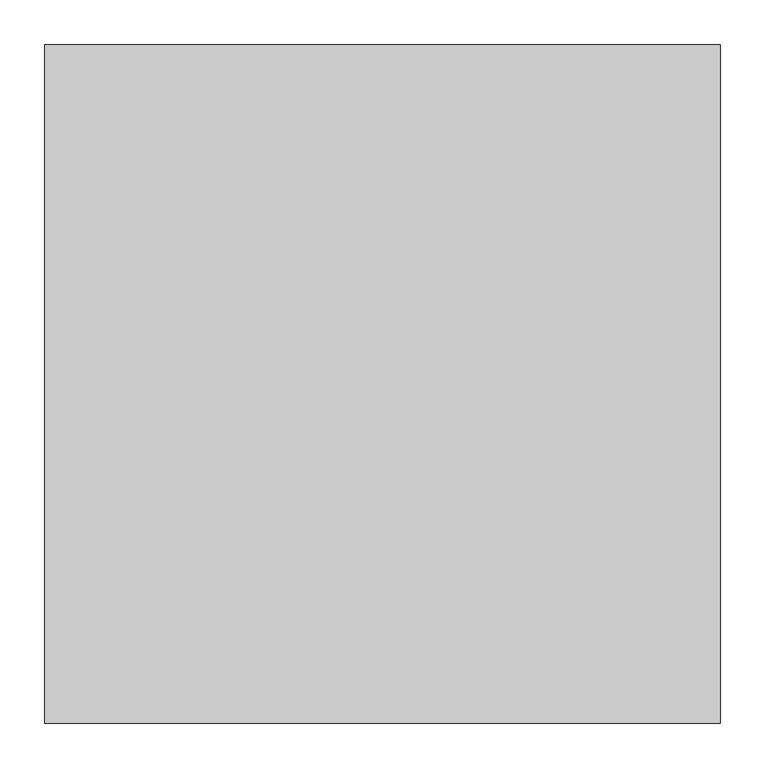
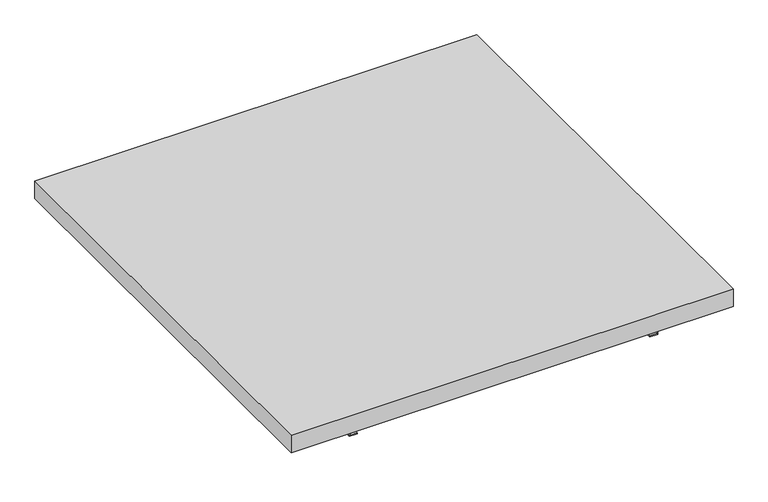
"""IFC4 building model written with IfcOpenShell, lengths in millimetres: furniture geometry."""

import ifcopenshell
import ifcopenshell.guid

model = None  # the IFC model being written
_history = None  # IfcOwnerHistory: only IFC2X3 demands one
_inside = {}  # id of a spatial element -> (the spatial element, [elements in it])
_under = {}  # id of a project, library or spatial element -> (it, [spatial elements below it])
_declared = {}  # id of a project -> (the project, [libraries it declares])
_typed = {}  # id of a type object -> (the type object, [elements of that type])
_made_of = {}  # id of a material, layer set ... -> (it, [elements and type objects made of it])


def new_model(schema):
    """Start an empty IFC model of exactly this schema.

    Asked for "IFC4X3", IfcOpenShell would pick the latest addendum, in which some entities
    have other attributes; the version numbers below select the first issue.
    IFC2X3 requires an IfcOwnerHistory on every rooted entity: one is made here for all.
    """
    global model, _history
    if schema == "IFC4X3":
        model = ifcopenshell.file(schema_version=(4, 3, 0, 0))
    else:
        model = ifcopenshell.file(schema=schema)
    _inside.clear()
    _under.clear()
    _declared.clear()
    _typed.clear()
    _made_of.clear()
    _history = None
    if model.schema == "IFC2X3":
        org = make("IfcOrganization", Name="unknown")
        user = make(
            "IfcPersonAndOrganization",
            ThePerson=make("IfcPerson", FamilyName="unknown"),
            TheOrganization=org,
        )
        app = make(
            "IfcApplication",
            ApplicationDeveloper=org,
            Version="unknown",
            ApplicationFullName="unknown",
            ApplicationIdentifier="unknown",
        )
        _history = make(
            "IfcOwnerHistory",
            OwningUser=user,
            OwningApplication=app,
            ChangeAction="ADDED",
            CreationDate=0,
        )
    return model


def make(cls, **values):
    """One entity of the class cls with the attributes given. An attribute that is None is left unset."""
    return model.create_entity(
        cls, **{name: value for name, value in values.items() if value is not None}
    )


def rooted(cls, **values):
    """An entity with a GlobalId (a new one), such as an element, a storey or a relation."""
    return make(cls, GlobalId=ifcopenshell.guid.new(), OwnerHistory=_history, **values)


def si_unit(unit_type, name, prefix=None):
    """IfcSIUnit, for example si_unit("LENGTHUNIT", "METRE", prefix="MILLI")."""
    return make("IfcSIUnit", UnitType=unit_type, Prefix=prefix, Name=name)


def assignment(units):
    """IfcUnitAssignment: the units of a project."""
    return None if units is None else make("IfcUnitAssignment", Units=units)


def point(xyz):
    """IfcCartesianPoint."""
    return None if xyz is None else make("IfcCartesianPoint", Coordinates=xyz)


def direction(xyz):
    """IfcDirection."""
    return None if xyz is None else make("IfcDirection", DirectionRatios=xyz)


def frame(location, z_axis=None, x_axis=None):
    """IfcAxis2Placement3D, a coordinate frame: its origin and axes. An axis left out is left unset."""
    return make(
        "IfcAxis2Placement3D",
        Location=point(location),
        Axis=direction(z_axis),
        RefDirection=direction(x_axis),
    )


def origin():
    """The frame at (0, 0, 0) with its axes left unset."""
    return frame((0.0, 0.0, 0.0))


def place(relative_to, where):
    """IfcLocalPlacement: puts the frame where relative to a parent placement (None: the world)."""
    return make(
        "IfcLocalPlacement", PlacementRelTo=relative_to, RelativePlacement=where
    )


def context(
    kind, dimensions, precision=None, world=None, true_north=None, identifier=None
):
    """IfcGeometricRepresentationContext, for example the 3D "Model" context."""
    return make(
        "IfcGeometricRepresentationContext",
        ContextIdentifier=identifier,
        ContextType=kind,
        CoordinateSpaceDimension=dimensions,
        Precision=precision,
        WorldCoordinateSystem=world,
        TrueNorth=true_north,
    )


def project(units=None, contexts=None):
    """IfcProject with its units and contexts."""
    return rooted(
        "IfcProject",
        Name="project",
        RepresentationContexts=contexts,
        UnitsInContext=assignment(units),
    )


def spatial(cls, under=None, at=None, **own):
    """A site, building, storey or space (cls), placed at a placement, below another one or the project."""
    s = rooted(cls, ObjectPlacement=at, **own)
    if under is not None:
        _under.setdefault(under.id(), (under, []))[1].append(s)
    return s


def polyline(points):
    """IfcPolyline through the points."""
    return make("IfcPolyline", Points=[point(p) for p in points])


def outline(outer, holes=None, kind="AREA"):
    """IfcArbitraryClosedProfileDef: a profile drawn as a closed curve; with holes, ...WithVoids."""
    if holes is None:
        return make("IfcArbitraryClosedProfileDef", ProfileType=kind, OuterCurve=outer)
    return make(
        "IfcArbitraryProfileDefWithVoids",
        ProfileType=kind,
        OuterCurve=outer,
        InnerCurves=holes,
    )


def extrude(swept, where, along, depth):
    """IfcExtrudedAreaSolid: the profile swept, set in the frame where, extruded along a direction by depth."""
    return make(
        "IfcExtrudedAreaSolid",
        SweptArea=swept,
        Position=where,
        ExtrudedDirection=direction(along),
        Depth=depth,
    )


def shape(context_of_items, identifier, shape_type, items):
    """IfcShapeRepresentation: the items that make up one representation, for example the "Body"."""
    return make(
        "IfcShapeRepresentation",
        ContextOfItems=context_of_items,
        RepresentationIdentifier=identifier,
        RepresentationType=shape_type,
        Items=items,
    )


def source(mapping_origin, context_of_items, identifier, shape_type, items):
    """IfcRepresentationMap: a shape defined once, which mapped items show again and again."""
    return make(
        "IfcRepresentationMap",
        MappingOrigin=mapping_origin,
        MappedRepresentation=shape(context_of_items, identifier, shape_type, items),
    )


def transform(
    local_origin,
    x_axis=None,
    y_axis=None,
    z_axis=None,
    scale=None,
    scale2=None,
    scale3=None,
    uniform=True,
):
    """IfcCartesianTransformationOperator3D, or its non-uniform kind. x_axis, y_axis, z_axis: its Axis1, 2, 3."""
    if uniform:
        return make(
            "IfcCartesianTransformationOperator3D",
            Axis1=direction(x_axis),
            Axis2=direction(y_axis),
            LocalOrigin=point(local_origin),
            Scale=scale,
            Axis3=direction(z_axis),
        )
    return make(
        "IfcCartesianTransformationOperator3DnonUniform",
        Axis1=direction(x_axis),
        Axis2=direction(y_axis),
        LocalOrigin=point(local_origin),
        Scale=scale,
        Axis3=direction(z_axis),
        Scale2=scale2,
        Scale3=scale3,
    )


def mapped(mapping_source, mapping_target):
    """IfcMappedItem: shows the shape of a source again, moved by a transform."""
    return make(
        "IfcMappedItem", MappingSource=mapping_source, MappingTarget=mapping_target
    )


def made_of(thing, what):
    """Note that an element or type object is made of a material, layer set ...; save() writes the relation."""
    if what is not None:
        _made_of.setdefault(what.id(), (what, []))[1].append(thing)
    return thing


def element(
    cls,
    number,
    at=None,
    inside=None,
    cuts=None,
    type_object=None,
    material=None,
    context=None,
    identifier="Body",
    shape_type=None,
    held_by="IfcProductDefinitionShape",
    body=None,
    shapes=None,
    **own,
):
    """One element of the class cls, such as IfcWall. Its Tag is "e" and its number.

    at: its placement. inside: the storey or other place that contains it. cuts: it is an
    opening in that element (IfcRelVoidsElement). A single representation is given by context,
    identifier, shape_type and body (its items); several are given by shapes. held_by: the class
    of the entity that holds the representations. save() writes the other relations.
    """
    e = rooted(cls, Tag="e%d" % number, ObjectPlacement=at, **own)
    if body is not None:
        shapes = [shape(context, identifier, shape_type, body)]
    if shapes is not None:
        e.Representation = make(held_by, Representations=shapes)
    if inside is not None:
        _inside.setdefault(inside.id(), (inside, []))[1].append(e)
    if cuts is not None:
        rooted(
            "IfcRelVoidsElement", RelatingBuildingElement=cuts, RelatedOpeningElement=e
        )
    if type_object is not None:
        _typed.setdefault(type_object.id(), (type_object, []))[1].append(e)
    return made_of(e, material)


def aggregate(whole, parts):
    """IfcRelAggregates: a whole, such as a stair, and the parts it consists of."""
    return rooted("IfcRelAggregates", RelatingObject=whole, RelatedObjects=parts)


def save(model, path):
    """Write the relations noted so far, then the file.

    IfcRelAggregates (storeys below a building ...), IfcRelContainedInSpatialStructure (elements
    in a storey), IfcRelDefinesByType, IfcRelAssociatesMaterial and IfcRelDeclares: one each for
    every whole, place, type object, material and project.
    """
    for whole, parts in _under.values():
        aggregate(whole, parts)
    for where, things in _inside.values():
        rooted(
            "IfcRelContainedInSpatialStructure",
            RelatedElements=things,
            RelatingStructure=where,
        )
    for kind, things in _typed.values():
        rooted("IfcRelDefinesByType", RelatedObjects=things, RelatingType=kind)
    for what, things in _made_of.values():
        rooted("IfcRelAssociatesMaterial", RelatedObjects=things, RelatingMaterial=what)
    for by, libraries in _declared.values():
        rooted("IfcRelDeclares", RelatingContext=by, RelatedDefinitions=libraries)
    model.write(path)


def furniture_574349f8(model_context):
    return source(origin(), model_context, "Body", "SweptSolid", [
        extrude(outline(polyline([(455.6125, 254.0), (455.6125, -508.0), (-303.2125, -508.0), (-303.2125, 254.0), (455.6125, 254.0)])), frame((0.0, 0.0, 882.65), z_axis=(0.0, 0.0, 1.0), x_axis=(1.0, 0.0, 0.0)), (0.0, 0.0, 1.0), 31.75),
        extrude(outline(polyline([(858.8375, -187.325), (882.65, -187.325), (882.65, -188.9125), (857.25, -188.9125), (857.25, -174.625), (858.8375, -174.625), (858.8375, -187.325)])), frame((0.0, -482.6, 0.0), z_axis=(0.0, 1.0, 0.0), x_axis=(0.0, 0.0, 1.0)), (0.0, 0.0, 1.0), 390.525),
        extrude(outline(polyline([(858.8375, 339.725), (858.8375, 327.025), (857.25, 327.025), (857.25, 341.3125), (882.65, 341.3125), (882.65, 339.725), (858.8375, 339.725)])), frame((0.0, -482.6, 0.0), z_axis=(0.0, 1.0, 0.0), x_axis=(0.0, 0.0, 1.0)), (0.0, 0.0, 1.0), 390.525),
    ])


if __name__ == "__main__":
    model = new_model("IFC4")
    model_context = context("Model", 3, world=origin())
    ifc_project = project(units=[si_unit("LENGTHUNIT", "METRE", prefix="MILLI")], contexts=[model_context])
    site = spatial("IfcSite", under=ifc_project)
    building = spatial("IfcBuilding", under=site)
    placement = place(None, origin())
    furniture_shape = furniture_574349f8(model_context)
    element("IfcFurniture", 1, at=placement, inside=building, context=model_context, shape_type="MappedRepresentation", body=[
        mapped(furniture_shape, transform((0.0, 0.0, 0.0), x_axis=(1.0, 0.0, 0.0), y_axis=(0.0, 1.0, 0.0), z_axis=(0.0, 0.0, 1.0))),
    ])
    save(model, "model.ifc")
